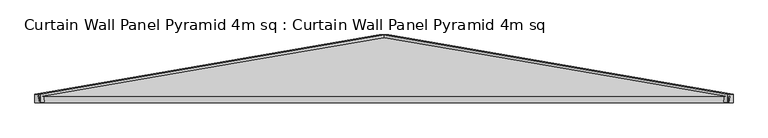
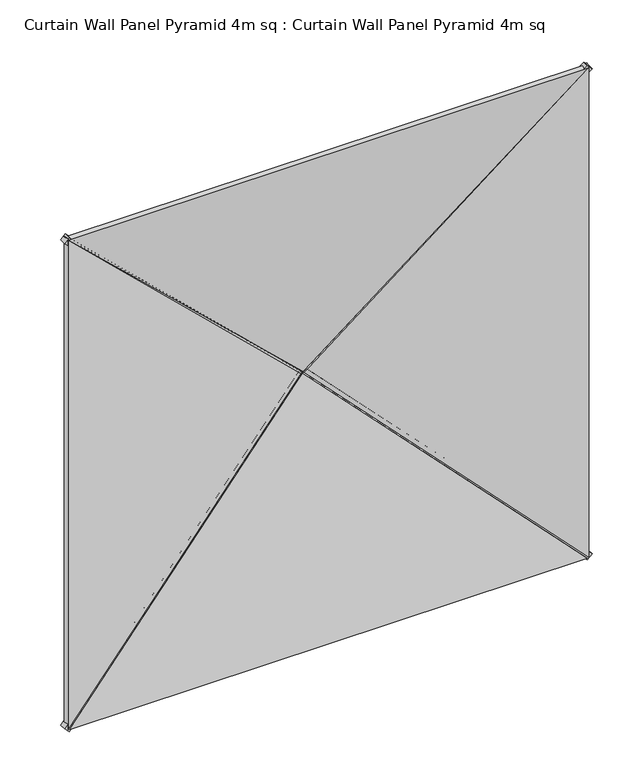
"""IFC4 building model written with IfcOpenShell, lengths in millimetres: plate geometry, Curtain Wall Panel Pyramid 4m sq : Curtain Wall Panel Pyramid 4m sq."""

import ifcopenshell
import ifcopenshell.guid

model = None  # the IFC model being written
_history = None  # IfcOwnerHistory: only IFC2X3 demands one
_inside = {}  # id of a spatial element -> (the spatial element, [elements in it])
_under = {}  # id of a project, library or spatial element -> (it, [spatial elements below it])
_declared = {}  # id of a project -> (the project, [libraries it declares])
_typed = {}  # id of a type object -> (the type object, [elements of that type])
_made_of = {}  # id of a material, layer set ... -> (it, [elements and type objects made of it])


def new_model(schema):
    """Start an empty IFC model of exactly this schema.

    Asked for "IFC4X3", IfcOpenShell would pick the latest addendum, in which some entities
    have other attributes; the version numbers below select the first issue.
    IFC2X3 requires an IfcOwnerHistory on every rooted entity: one is made here for all.
    """
    global model, _history
    if schema == "IFC4X3":
        model = ifcopenshell.file(schema_version=(4, 3, 0, 0))
    else:
        model = ifcopenshell.file(schema=schema)
    _inside.clear()
    _under.clear()
    _declared.clear()
    _typed.clear()
    _made_of.clear()
    _history = None
    if model.schema == "IFC2X3":
        org = make("IfcOrganization", Name="unknown")
        user = make(
            "IfcPersonAndOrganization",
            ThePerson=make("IfcPerson", FamilyName="unknown"),
            TheOrganization=org,
        )
        app = make(
            "IfcApplication",
            ApplicationDeveloper=org,
            Version="unknown",
            ApplicationFullName="unknown",
            ApplicationIdentifier="unknown",
        )
        _history = make(
            "IfcOwnerHistory",
            OwningUser=user,
            OwningApplication=app,
            ChangeAction="ADDED",
            CreationDate=0,
        )
    return model


def make(cls, **values):
    """One entity of the class cls with the attributes given. An attribute that is None is left unset."""
    return model.create_entity(
        cls, **{name: value for name, value in values.items() if value is not None}
    )


def rooted(cls, **values):
    """An entity with a GlobalId (a new one), such as an element, a storey or a relation."""
    return make(cls, GlobalId=ifcopenshell.guid.new(), OwnerHistory=_history, **values)


def si_unit(unit_type, name, prefix=None):
    """IfcSIUnit, for example si_unit("LENGTHUNIT", "METRE", prefix="MILLI")."""
    return make("IfcSIUnit", UnitType=unit_type, Prefix=prefix, Name=name)


def assignment(units):
    """IfcUnitAssignment: the units of a project."""
    return None if units is None else make("IfcUnitAssignment", Units=units)


def point(xyz):
    """IfcCartesianPoint."""
    return None if xyz is None else make("IfcCartesianPoint", Coordinates=xyz)


def direction(xyz):
    """IfcDirection."""
    return None if xyz is None else make("IfcDirection", DirectionRatios=xyz)


def frame(location, z_axis=None, x_axis=None):
    """IfcAxis2Placement3D, a coordinate frame: its origin and axes. An axis left out is left unset."""
    return make(
        "IfcAxis2Placement3D",
        Location=point(location),
        Axis=direction(z_axis),
        RefDirection=direction(x_axis),
    )


def origin():
    """The frame at (0, 0, 0) with its axes left unset."""
    return frame((0.0, 0.0, 0.0))


def place(relative_to, where):
    """IfcLocalPlacement: puts the frame where relative to a parent placement (None: the world)."""
    return make(
        "IfcLocalPlacement", PlacementRelTo=relative_to, RelativePlacement=where
    )


def context(
    kind, dimensions, precision=None, world=None, true_north=None, identifier=None
):
    """IfcGeometricRepresentationContext, for example the 3D "Model" context."""
    return make(
        "IfcGeometricRepresentationContext",
        ContextIdentifier=identifier,
        ContextType=kind,
        CoordinateSpaceDimension=dimensions,
        Precision=precision,
        WorldCoordinateSystem=world,
        TrueNorth=true_north,
    )


def project(units=None, contexts=None):
    """IfcProject with its units and contexts."""
    return rooted(
        "IfcProject",
        Name="project",
        RepresentationContexts=contexts,
        UnitsInContext=assignment(units),
    )


def spatial(cls, under=None, at=None, **own):
    """A site, building, storey or space (cls), placed at a placement, below another one or the project."""
    s = rooted(cls, ObjectPlacement=at, **own)
    if under is not None:
        _under.setdefault(under.id(), (under, []))[1].append(s)
    return s


def polyline(points):
    """IfcPolyline through the points."""
    return make("IfcPolyline", Points=[point(p) for p in points])


def outline(outer, holes=None, kind="AREA"):
    """IfcArbitraryClosedProfileDef: a profile drawn as a closed curve; with holes, ...WithVoids."""
    if holes is None:
        return make("IfcArbitraryClosedProfileDef", ProfileType=kind, OuterCurve=outer)
    return make(
        "IfcArbitraryProfileDefWithVoids",
        ProfileType=kind,
        OuterCurve=outer,
        InnerCurves=holes,
    )


def extrude(swept, where, along, depth):
    """IfcExtrudedAreaSolid: the profile swept, set in the frame where, extruded along a direction by depth."""
    return make(
        "IfcExtrudedAreaSolid",
        SweptArea=swept,
        Position=where,
        ExtrudedDirection=direction(along),
        Depth=depth,
    )


def shape(context_of_items, identifier, shape_type, items):
    """IfcShapeRepresentation: the items that make up one representation, for example the "Body"."""
    return make(
        "IfcShapeRepresentation",
        ContextOfItems=context_of_items,
        RepresentationIdentifier=identifier,
        RepresentationType=shape_type,
        Items=items,
    )


def source(mapping_origin, context_of_items, identifier, shape_type, items):
    """IfcRepresentationMap: a shape defined once, which mapped items show again and again."""
    return make(
        "IfcRepresentationMap",
        MappingOrigin=mapping_origin,
        MappedRepresentation=shape(context_of_items, identifier, shape_type, items),
    )


def transform(
    local_origin,
    x_axis=None,
    y_axis=None,
    z_axis=None,
    scale=None,
    scale2=None,
    scale3=None,
    uniform=True,
):
    """IfcCartesianTransformationOperator3D, or its non-uniform kind. x_axis, y_axis, z_axis: its Axis1, 2, 3."""
    if uniform:
        return make(
            "IfcCartesianTransformationOperator3D",
            Axis1=direction(x_axis),
            Axis2=direction(y_axis),
            LocalOrigin=point(local_origin),
            Scale=scale,
            Axis3=direction(z_axis),
        )
    return make(
        "IfcCartesianTransformationOperator3DnonUniform",
        Axis1=direction(x_axis),
        Axis2=direction(y_axis),
        LocalOrigin=point(local_origin),
        Scale=scale,
        Axis3=direction(z_axis),
        Scale2=scale2,
        Scale3=scale3,
    )


def mapped(mapping_source, mapping_target):
    """IfcMappedItem: shows the shape of a source again, moved by a transform."""
    return make(
        "IfcMappedItem", MappingSource=mapping_source, MappingTarget=mapping_target
    )


def made_of(thing, what):
    """Note that an element or type object is made of a material, layer set ...; save() writes the relation."""
    if what is not None:
        _made_of.setdefault(what.id(), (what, []))[1].append(thing)
    return thing


def element(
    cls,
    number,
    at=None,
    inside=None,
    cuts=None,
    type_object=None,
    material=None,
    context=None,
    identifier="Body",
    shape_type=None,
    held_by="IfcProductDefinitionShape",
    body=None,
    shapes=None,
    **own,
):
    """One element of the class cls, such as IfcWall. Its Tag is "e" and its number.

    at: its placement. inside: the storey or other place that contains it. cuts: it is an
    opening in that element (IfcRelVoidsElement). A single representation is given by context,
    identifier, shape_type and body (its items); several are given by shapes. held_by: the class
    of the entity that holds the representations. save() writes the other relations.
    """
    e = rooted(cls, Tag="e%d" % number, ObjectPlacement=at, **own)
    if body is not None:
        shapes = [shape(context, identifier, shape_type, body)]
    if shapes is not None:
        e.Representation = make(held_by, Representations=shapes)
    if inside is not None:
        _inside.setdefault(inside.id(), (inside, []))[1].append(e)
    if cuts is not None:
        rooted(
            "IfcRelVoidsElement", RelatingBuildingElement=cuts, RelatedOpeningElement=e
        )
    if type_object is not None:
        _typed.setdefault(type_object.id(), (type_object, []))[1].append(e)
    return made_of(e, material)


def aggregate(whole, parts):
    """IfcRelAggregates: a whole, such as a stair, and the parts it consists of."""
    return rooted("IfcRelAggregates", RelatingObject=whole, RelatedObjects=parts)


def save(model, path):
    """Write the relations noted so far, then the file.

    IfcRelAggregates (storeys below a building ...), IfcRelContainedInSpatialStructure (elements
    in a storey), IfcRelDefinesByType, IfcRelAssociatesMaterial and IfcRelDeclares: one each for
    every whole, place, type object, material and project.
    """
    for whole, parts in _under.values():
        aggregate(whole, parts)
    for where, things in _inside.values():
        rooted(
            "IfcRelContainedInSpatialStructure",
            RelatedElements=things,
            RelatingStructure=where,
        )
    for kind, things in _typed.values():
        rooted("IfcRelDefinesByType", RelatedObjects=things, RelatingType=kind)
    for what, things in _made_of.values():
        rooted("IfcRelAssociatesMaterial", RelatedObjects=things, RelatingMaterial=what)
    for by, libraries in _declared.values():
        rooted("IfcRelDeclares", RelatingContext=by, RelatedDefinitions=libraries)
    model.write(path)


def curtain_wall_panel_pyramid_4m_sq_curtain_wall_panel_pyramid_3ddfaed4(model_context):
    return source(origin(), model_context, "Body", "SweptSolid", [
        extrude(outline(polyline([(-25.0, 0.0), (25.0, 0.0), (-319.5008531, -2828.2124727), (-369.5008531, -2828.2124727), (-25.0, 0.0)])), frame((1992.3223305, 25.0, -17.6776695), z_axis=(0.7071067811865489, 0.0, 0.7071067811865462), x_axis=(0.0, -1.0, 0.0)), (0.0, 0.0, 1.0), 50.0),
        extrude(outline(polyline([(-25.0, 0.0), (25.0, 0.0), (369.5008531, -2828.2124727), (319.5008531, -2828.2124727), (-25.0, 0.0)])), frame((-1992.3223305, 25.0, -17.6776695), z_axis=(-0.7071067811865475, 0.0, 0.7071067811865476), x_axis=(0.0, 1.0, 0.0)), (0.0, 0.0, 1.0), 50.0),
        extrude(outline(polyline([(-25.0, 0.0), (25.0, 0.0), (369.5008531, -2828.2124727), (319.5008531, -2828.2124727), (-25.0, 0.0)])), frame((-2027.6776695, 25.0, 3957.3223305), z_axis=(0.7071067811865487, 0.0, 0.7071067811865464), x_axis=(0.0, 1.0, 0.0)), (0.0, 0.0, 1.0), 50.0),
        extrude(outline(polyline([(-25.0, 0.0), (25.0, 0.0), (-319.5008531, -2828.2124727), (-369.5008531, -2828.2124727), (-25.0, 0.0)])), frame((2027.6776695, 25.0, 3957.3223305), z_axis=(-0.7071067811865472, 0.0, 0.7071067811865479), x_axis=(0.0, -1.0, 0.0)), (0.0, 0.0, 1.0), 50.0),
        extrude(outline(polyline([(1993.2098768, -1014.7271131), (-2.1709376, 1016.8143409), (3988.5906912, 1016.8143409), (1993.2098768, -1014.7271131)])), frame((1000.0, 172.8335872, 0.0), z_axis=(0.16975307948003834, 0.9854866270056859, 0.0), x_axis=(0.0, 0.0, 1.0)), (0.0, 0.0, 1.0), 40.0),
        extrude(outline(polyline([(0.0, -1014.7271131), (-1991.3928218, 1012.7540773), (1991.3928218, 1012.7540773), (0.0, -1014.7271131)])), frame((0.0, 212.2530523, 986.4197536), z_axis=(0.0, -0.9854866270056859, 0.16975307948003834), x_axis=(-1.0, 0.0, 0.0)), (0.0, 0.0, 1.0), 40.0),
        extrude(outline(polyline([(1993.2098768, 1014.7271131), (3986.6374086, -1014.8256606), (-0.217655, -1014.8256606), (1993.2098768, 1014.7271131)])), frame((-1000.0, 172.8335872, 0.0), z_axis=(-0.16975307948003834, 0.9854866270056859, 0.0), x_axis=(0.0, 0.0, 1.0)), (0.0, 0.0, 1.0), 40.0),
        extrude(outline(polyline([(1996.304868, -1017.8221042), (-1996.2959025, -1017.8221042), (2.4233431, 976.0594205), (1996.304868, -1017.8221042)])), frame((0.0, 172.8335872, 2968.2098768), z_axis=(0.0, 0.9854866270056859, 0.16975307948003832), x_axis=(1.0, 0.0, 0.0)), (0.0, 0.0, 1.0), 40.0),
    ])


if __name__ == "__main__":
    model = new_model("IFC4")
    model_context = context("Model", 3, world=origin())
    ifc_project = project(units=[si_unit("LENGTHUNIT", "METRE", prefix="MILLI")], contexts=[model_context])
    site = spatial("IfcSite", under=ifc_project)
    building = spatial("IfcBuilding", under=site)
    placement = place(None, origin())
    curtain_wall_panel_pyramid_4m_sq_curtain_wall_panel_pyramid_shape = curtain_wall_panel_pyramid_4m_sq_curtain_wall_panel_pyramid_3ddfaed4(model_context)
    element("IfcPlate", 1, ObjectType="Curtain Wall Panel Pyramid 4m sq : Curtain Wall Panel Pyramid 4m sq", at=placement, inside=building, context=model_context, shape_type="MappedRepresentation", body=[
        mapped(curtain_wall_panel_pyramid_4m_sq_curtain_wall_panel_pyramid_shape, transform((0.0, 0.0, 0.0), x_axis=(1.0, 0.0, 0.0), y_axis=(0.0, 1.0, 0.0), z_axis=(0.0, 0.0, 1.0))),
    ])
    save(model, "model.ifc")
